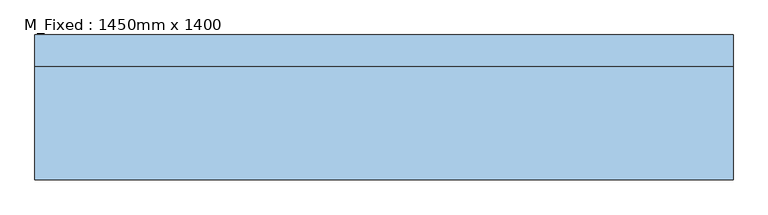
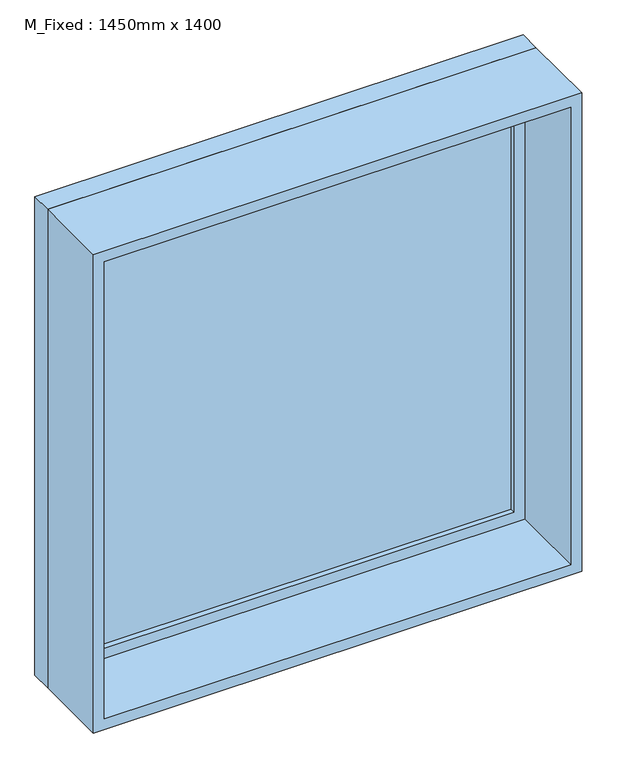
"""IFC4 building model written with IfcOpenShell, lengths in millimetres: window geometry, M_Fixed : 1450mm x 1400."""

from ifc_helpers import new_model, si_unit, frame, origin, place, context, project, spatial, polyline, outline, extrude, source, transform, mapped, element, save


def m_fixed_1450mm_x_1400_ee3c1834(model_context):
    return source(origin(), model_context, "Body", "SweptSolid", [
        extrude(outline(polyline([(-637.0, 123.0), (637.0, 123.0), (637.0, 111.0), (-637.0, 111.0), (-637.0, 123.0)])), frame((0.0, 0.0, 163.0), z_axis=(0.0, 0.0, 1.0), x_axis=(1.0, 0.0, 0.0)), (0.0, 0.0, 1.0), 1324.0),
        extrude(outline(polyline([(1531.0, -681.0), (119.0, -681.0), (119.0, 681.0), (1531.0, 681.0), (1531.0, -681.0)]), holes=[polyline([(1487.0, -637.0), (1487.0, 637.0), (163.0, 637.0), (163.0, -637.0), (1487.0, -637.0)])]), frame((0.0, 95.0, 0.0), z_axis=(0.0, 1.0, 0.0), x_axis=(0.0, 0.0, 1.0)), (0.0, 0.0, 1.0), 44.0),
        extrude(outline(polyline([(1550.0, -700.0), (100.0, -700.0), (100.0, 700.0), (1550.0, 700.0), (1550.0, -700.0)]), holes=[polyline([(1531.0, -681.0), (1531.0, 681.0), (119.0, 681.0), (119.0, -681.0), (1531.0, -681.0)])]), frame((0.0, 95.0, 0.0), z_axis=(0.0, 1.0, 0.0), x_axis=(0.0, 0.0, 1.0)), (0.0, 0.0, 1.0), 63.0),
        extrude(outline(polyline([(1550.0, -700.0), (100.0, -700.0), (100.0, 700.0), (1550.0, 700.0), (1550.0, -700.0)]), holes=[polyline([(1518.0, -668.0), (1518.0, 668.0), (132.0, 668.0), (132.0, -668.0), (1518.0, -668.0)])]), frame((0.0, -132.0, 0.0), z_axis=(0.0, 1.0, 0.0), x_axis=(0.0, 0.0, 1.0)), (0.0, 0.0, 1.0), 227.0),
    ])


if __name__ == "__main__":
    model = new_model("IFC4")
    model_context = context("Model", 3, world=origin())
    ifc_project = project(units=[si_unit("LENGTHUNIT", "METRE", prefix="MILLI")], contexts=[model_context])
    site = spatial("IfcSite", under=ifc_project)
    building = spatial("IfcBuilding", under=site)
    placement = place(None, origin())
    m_fixed_1450mm_x_1400_shape = m_fixed_1450mm_x_1400_ee3c1834(model_context)
    element("IfcWindow", 1, ObjectType="M_Fixed : 1450mm x 1400", at=placement, inside=building, context=model_context, shape_type="MappedRepresentation", body=[
        mapped(m_fixed_1450mm_x_1400_shape, transform((0.0, 0.0, 0.0), x_axis=(1.0, 0.0, 0.0), y_axis=(0.0, 1.0, 0.0), z_axis=(0.0, 0.0, 1.0))),
    ])
    save(model, "model.ifc")
